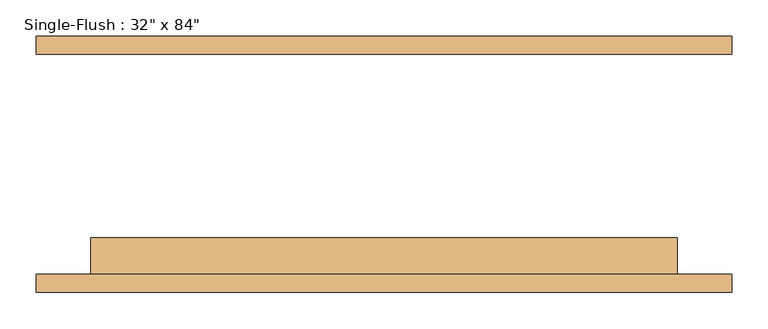
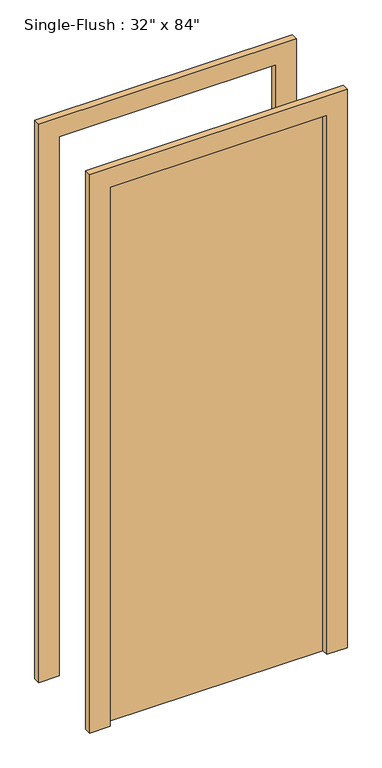
"""IFC4 building model written with IfcOpenShell, lengths in millimetres: door geometry."""

from ifc_helpers import new_model, si_unit, frame, origin, origin_with_axes, place, context, project, spatial, polyline, outline, extrude, source, transform, mapped, element, save


def door_ba1bc09b(model_context):
    return source(origin(), model_context, "Body", "SweptSolid", [
        extrude(outline(polyline([(2209.8, -482.6), (0.0, -482.6), (0.0, -406.4), (2133.6, -406.4), (2133.6, 406.4), (0.0, 406.4), (0.0, 482.6), (2209.8, 482.6), (2209.8, -482.6)])), frame((0.0, -177.8, 0.0), z_axis=(0.0, 1.0, 0.0), x_axis=(0.0, 0.0, 1.0)), (0.0, 0.0, 1.0), 25.4),
        extrude(outline(polyline([(2209.8, 482.6), (2209.8, -482.6), (0.0, -482.6), (0.0, -406.4), (2133.6, -406.4), (2133.6, 406.4), (0.0, 406.4), (0.0, 482.6), (2209.8, 482.6)])), frame((0.0, 152.4, 0.0), z_axis=(0.0, 1.0, 0.0), x_axis=(0.0, 0.0, 1.0)), (0.0, 0.0, 1.0), 25.4),
        extrude(outline(polyline([(406.4, -101.6), (406.4, -152.4), (-406.4, -152.4), (-406.4, -101.6), (406.4, -101.6)])), origin_with_axes(), (0.0, 0.0, 1.0), 2133.6),
    ])


if __name__ == "__main__":
    model = new_model("IFC4")
    model_context = context("Model", 3, world=origin())
    ifc_project = project(units=[si_unit("LENGTHUNIT", "METRE", prefix="MILLI")], contexts=[model_context])
    site = spatial("IfcSite", under=ifc_project)
    building = spatial("IfcBuilding", under=site)
    placement = place(None, origin())
    door_shape = door_ba1bc09b(model_context)
    element("IfcDoor", 1, ObjectType="Single-Flush : 32\" x 84\"", at=placement, inside=building, context=model_context, shape_type="MappedRepresentation", body=[
        mapped(door_shape, transform((0.0, 0.0, 0.0), x_axis=(1.0, 0.0, 0.0), y_axis=(0.0, 1.0, 0.0), z_axis=(0.0, 0.0, 1.0))),
    ])
    save(model, "model.ifc")
